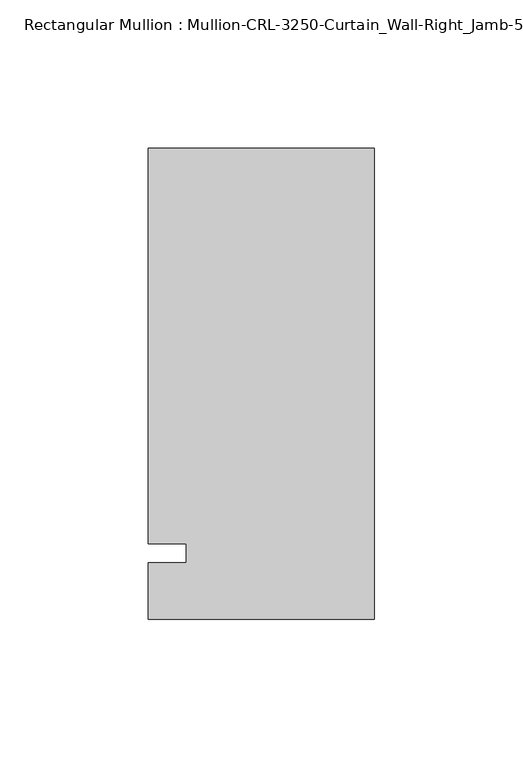
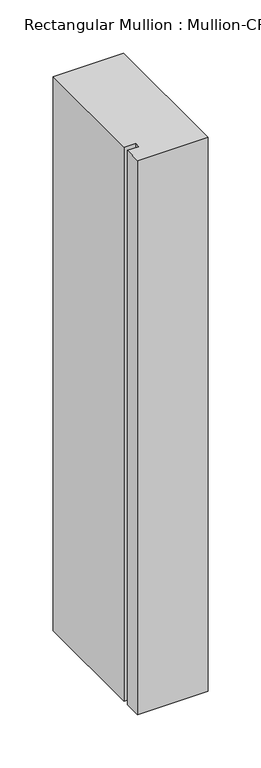
"""IFC4 building model written with IfcOpenShell, lengths in millimetres: member geometry."""

from ifc_helpers import new_model, si_unit, frame, origin, place, context, project, spatial, polyline, outline, extrude, source, transform, mapped, element, save


def member_421b2a49(model_context):
    return source(origin(), model_context, "Body", "SweptSolid", [
        extrude(outline(polyline([(0.0, -22.2254168), (-76.199997, -22.2254168), (-76.199997, -3.175), (-63.499997, -3.175), (-63.499997, 3.175), (-76.199997, 3.175), (-76.199997, 136.5240673), (0.0, 136.5240673), (0.0, -22.2254168)])), frame((0.0, 0.0, -635.0), z_axis=(0.0, 0.0, 1.0), x_axis=(1.0, 0.0, 0.0)), (0.0, 0.0, 1.0), 635.0),
    ])


if __name__ == "__main__":
    model = new_model("IFC4")
    model_context = context("Model", 3, world=origin())
    ifc_project = project(units=[si_unit("LENGTHUNIT", "METRE", prefix="MILLI")], contexts=[model_context])
    site = spatial("IfcSite", under=ifc_project)
    building = spatial("IfcBuilding", under=site)
    placement = place(None, origin())
    member_shape = member_421b2a49(model_context)
    element("IfcMember", 1, ObjectType="Rectangular Mullion : Mullion-CRL-3250-Curtain_Wall-Right_Jamb-5\"", at=placement, inside=building, context=model_context, shape_type="MappedRepresentation", body=[
        mapped(member_shape, transform((0.0, 0.0, 0.0), x_axis=(1.0, 0.0, 0.0), y_axis=(0.0, 1.0, 0.0), z_axis=(0.0, 0.0, 1.0))),
    ])
    save(model, "model.ifc")
